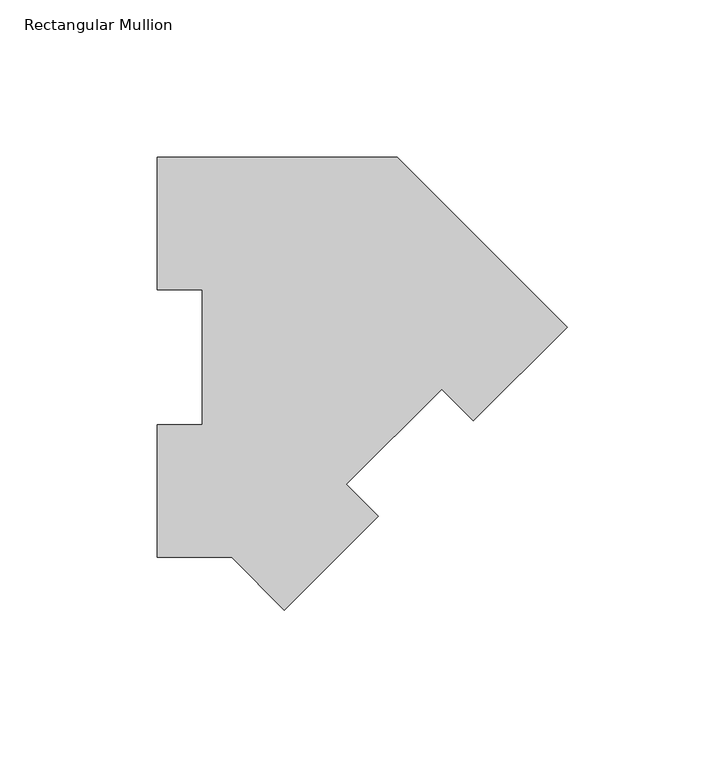
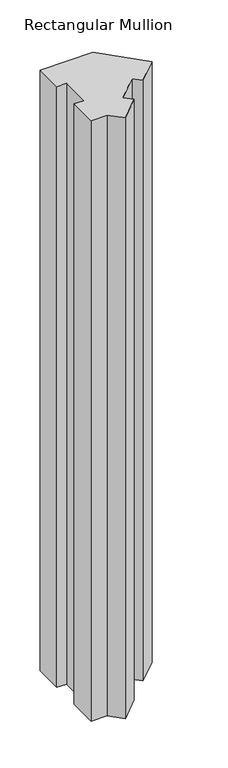
"""IFC4 building model written with IfcOpenShell, lengths in millimetres: member geometry, Rectangular Mullion."""

from ifc_helpers import new_model, si_unit, frame, origin, place, context, project, spatial, polyline, outline, extrude, source, transform, mapped, element, save


def rectangular_mullion_07306f41(model_context):
    return source(origin(), model_context, "Body", "SweptSolid", [
        extrude(outline(polyline([(-130.0815367, 126.7086938), (-53.8815367, 126.7086938), (0.0, 72.827157), (-29.7515885, 43.0755685), (-39.8543767, 53.1783566), (-70.1537608, 22.8789725), (-60.0509727, 12.7761843), (-89.8025612, -16.9754042), (-106.4866592, -0.2913062), (-130.0815367, -0.2913062), (-130.0815367, 41.7837938), (-115.7940367, 41.7837938), (-115.7940367, 84.6335937), (-130.0815367, 84.6335937), (-130.0815367, 126.7086938)])), frame((0.0, 0.0, -914.4), z_axis=(0.0, 0.0, 1.0), x_axis=(1.0, 0.0, 0.0)), (0.0, 0.0, 1.0), 914.4),
    ])


if __name__ == "__main__":
    model = new_model("IFC4")
    model_context = context("Model", 3, world=origin())
    ifc_project = project(units=[si_unit("LENGTHUNIT", "METRE", prefix="MILLI")], contexts=[model_context])
    site = spatial("IfcSite", under=ifc_project)
    building = spatial("IfcBuilding", under=site)
    placement = place(None, origin())
    rectangular_mullion_shape = rectangular_mullion_07306f41(model_context)
    element("IfcMember", 1, ObjectType="Rectangular Mullion", at=placement, inside=building, context=model_context, shape_type="MappedRepresentation", body=[
        mapped(rectangular_mullion_shape, transform((0.0, 0.0, 0.0), x_axis=(1.0, 0.0, 0.0), y_axis=(0.0, 1.0, 0.0), z_axis=(0.0, 0.0, 1.0))),
    ])
    save(model, "model.ifc")
